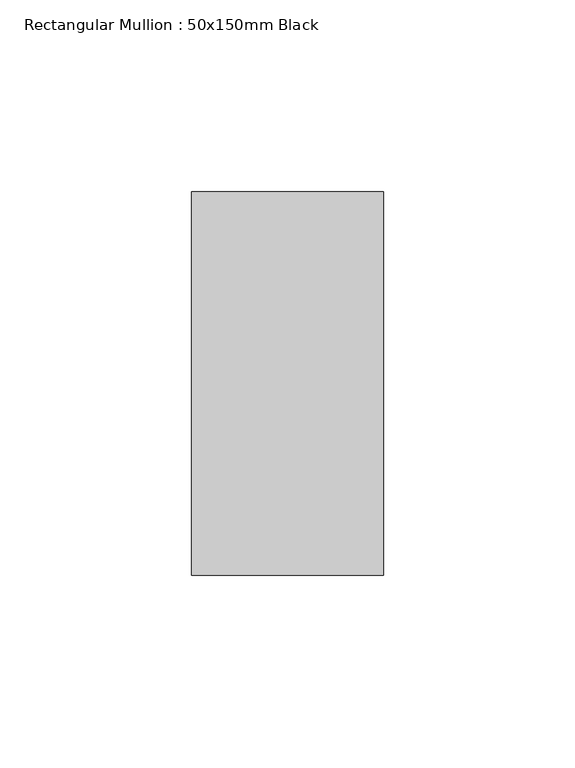
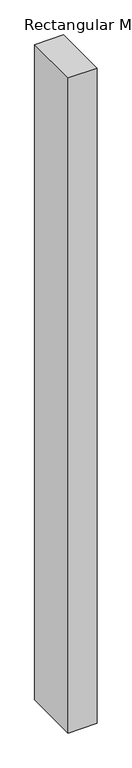
"""IFC4 building model written with IfcOpenShell, lengths in millimetres: member geometry, Rectangular Mullion : 50x150mm Black."""

from ifc_helpers import new_model, si_unit, frame, origin, place, context, project, spatial, polyline, outline, extrude, source, transform, mapped, element, save


def rectangular_mullion_50x150mm_black_b2277c53(model_context):
    return source(origin(), model_context, "Body", "SweptSolid", [
        extrude(outline(polyline([(0.0, 50.0), (0.0, -50.0), (-50.0, -50.0), (-50.0, 50.0), (0.0, 50.0)])), frame((0.0, 0.0, -1195.0000003), z_axis=(0.0, 0.0, 1.0), x_axis=(1.0, 0.0, 0.0)), (0.0, 0.0, 1.0), 1195.0000003),
    ])


if __name__ == "__main__":
    model = new_model("IFC4")
    model_context = context("Model", 3, world=origin())
    ifc_project = project(units=[si_unit("LENGTHUNIT", "METRE", prefix="MILLI")], contexts=[model_context])
    site = spatial("IfcSite", under=ifc_project)
    building = spatial("IfcBuilding", under=site)
    placement = place(None, origin())
    rectangular_mullion_50x150mm_black_shape = rectangular_mullion_50x150mm_black_b2277c53(model_context)
    element("IfcMember", 1, ObjectType="Rectangular Mullion : 50x150mm Black", at=placement, inside=building, context=model_context, shape_type="MappedRepresentation", body=[
        mapped(rectangular_mullion_50x150mm_black_shape, transform((0.0, 0.0, 0.0), x_axis=(1.0, 0.0, 0.0), y_axis=(0.0, 1.0, 0.0), z_axis=(0.0, 0.0, 1.0))),
    ])
    save(model, "model.ifc")
